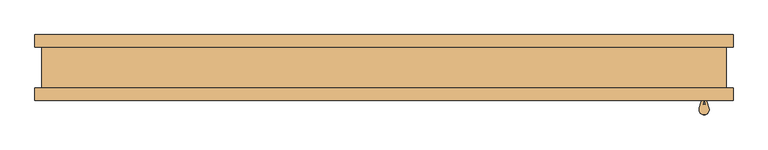
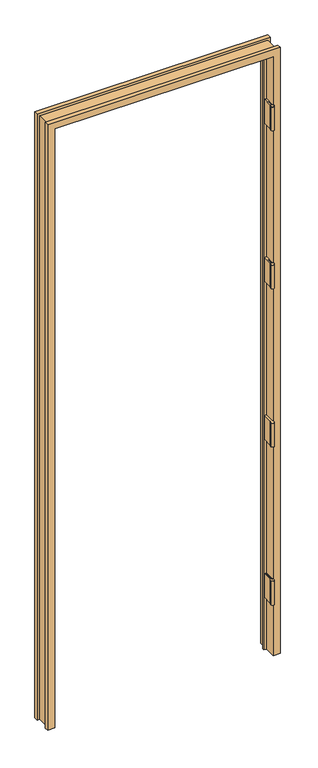
"""IFC4 building model written with IfcOpenShell, lengths in millimetres: door geometry."""

from ifc_helpers import new_model, si_unit, point, frame, frame_2d, origin, place, context, project, spatial, polyline, circle_curve, trimmed, segment, composite_curve, outline, extrude, faceted_brep, source, transform, mapped, element, save


def door_427588ef(model_context):
    return source(origin(), model_context, "Body", "SolidModel", [
        faceted_brep([(-498.6782, -50.0254003, 0.0), (-531.3172, -50.0254003, 0.0), (-531.3172, -31.4833003, 0.0), (-520.7, -31.4833003, 0.0), (-520.7, 31.4833003, 0.0), (-531.3172, 31.4833003, 0.0), (-531.3172, 50.0254003, 0.0), (-498.6782, 50.0254003, 0.0), (-498.6782, 10.8710997, 0.0), (-485.7242, 10.8710997, 0.0), (-485.7242, 2.5906997, 0.0), (-498.6782, 2.5906997, 0.0), (498.6782, -50.0254003, 0.0), (498.6782, 2.5906997, 0.0), (485.7242, 2.5906997, 0.0), (485.7242, 10.8710997, 0.0), (498.6782, 10.8710997, 0.0), (498.6782, 50.0254003, 0.0), (531.3172, 50.0254003, 0.0), (531.3172, 31.4833003, 0.0), (520.7, 31.4833003, 0.0), (520.7, -31.4833003, 0.0), (531.3172, -31.4833003, 0.0), (531.3172, -50.0254003, 0.0), (-498.6782, 2.5906997, 2891.1475997), (-498.6782, -50.0254003, 2891.1475997), (-485.7242, 2.5906997, 2878.1935997), (485.7242, 2.5906997, 2878.1935997), (498.6782, 2.5906997, 2891.1475997), (-485.7242, 10.8710997, 2878.1935997), (-498.6782, 10.8710997, 2891.1475997), (498.6782, 10.8710997, 2891.1475997), (485.7242, 10.8710997, 2878.1935997), (-498.6782, 50.0254003, 2891.1475997), (-531.3172, 50.0254003, 2923.7865997), (531.3172, 50.0254003, 2923.7865997), (498.6782, 50.0254003, 2891.1475997), (-531.3172, 31.4833003, 2923.7865997), (-520.7, 31.4833003, 2913.1693997), (520.7, 31.4833003, 2913.1693997), (531.3172, 31.4833003, 2923.7865997), (-520.7, -31.4833003, 2913.1693997), (-531.3172, -31.4833003, 2923.7865997), (531.3172, -31.4833003, 2923.7865997), (520.7, -31.4833003, 2913.1693997), (-531.3172, -50.0254003, 2923.7865997), (498.6782, -50.0254003, 2891.1475997), (531.3172, -50.0254003, 2923.7865997)], [[[0, 1, 2, 3, 4, 5, 6, 7, 8, 9, 10, 11]], [[12, 13, 14, 15, 16, 17, 18, 19, 20, 21, 22, 23]], [[11, 24, 25, 0]], [[10, 26, 27, 14, 13, 28, 24, 11]], [[9, 29, 26, 10]], [[8, 30, 31, 16, 15, 32, 29, 9]], [[7, 33, 30, 8]], [[6, 34, 35, 18, 17, 36, 33, 7]], [[5, 37, 34, 6]], [[4, 38, 39, 20, 19, 40, 37, 5]], [[3, 41, 38, 4]], [[2, 42, 43, 22, 21, 44, 41, 3]], [[1, 45, 42, 2]], [[0, 25, 46, 12, 23, 47, 45, 1]], [[24, 28, 46, 25]], [[29, 32, 27, 26]], [[33, 36, 31, 30]], [[37, 40, 35, 34]], [[41, 44, 39, 38]], [[45, 47, 43, 42]], [[28, 13, 12, 46]], [[32, 15, 14, 27]], [[36, 17, 16, 31]], [[40, 19, 18, 35]], [[44, 21, 20, 39]], [[47, 23, 22, 43]]]),
        extrude(outline(composite_curve([segment(polyline([(483.0699, -51.4224003), (483.0699, -10.1474003), (486.4735, -10.1474003), (486.4735, -51.9241411), (485.0107341, -56.7777214)]), True, "CONTINUOUS"), segment(trimmed(circle_curve(frame_2d((487.26725, -64.1224003)), 7.6835), [point((485.0107341, -56.7777214))], [point((489.5237659, -56.7777214))], False, "CARTESIAN"), True, "CONTINUOUS"), segment(polyline([(489.5237659, -56.7777214), (488.061, -51.9241411), (488.061, -10.1474003), (491.4646, -10.1474003), (491.4646, -51.4224003), (494.6239108, -61.9052592)]), True, "CONTINUOUS"), segment(trimmed(circle_curve(frame_2d((487.26725, -64.1224003)), 7.6835), [point((494.6239108, -61.9052592))], [point((479.9105892, -61.9052592))], False, "CARTESIAN"), True, "CONTINUOUS"), segment(polyline([(479.9105892, -61.9052592), (483.0699, -51.4224003)]), True, "CONTINUOUS")], self_intersect=False)), frame((0.0, 0.0, 1025.0214025), z_axis=(0.0, 0.0, 1.0), x_axis=(1.0, 0.0, 0.0)), (0.0, 0.0, 1.0), 114.3),
        extrude(outline(composite_curve([segment(polyline([(483.0699, -51.4224003), (483.0699, -10.1474003), (486.4735, -10.1474003), (486.4735, -51.9241411), (485.0107341, -56.7777214)]), True, "CONTINUOUS"), segment(trimmed(circle_curve(frame_2d((487.26725, -64.1224003)), 7.6835), [point((485.0107341, -56.7777214))], [point((489.5237659, -56.7777214))], False, "CARTESIAN"), True, "CONTINUOUS"), segment(polyline([(489.5237659, -56.7777214), (488.061, -51.9241411), (488.061, -10.1474003), (491.4646, -10.1474003), (491.4646, -51.4224003), (494.6239108, -61.9052592)]), True, "CONTINUOUS"), segment(trimmed(circle_curve(frame_2d((487.26725, -64.1224003)), 7.6835), [point((494.6239108, -61.9052592))], [point((479.9105892, -61.9052592))], False, "CARTESIAN"), True, "CONTINUOUS"), segment(polyline([(479.9105892, -61.9052592), (483.0699, -51.4224003)]), True, "CONTINUOUS")], self_intersect=False)), frame((0.0, 0.0, 1788.0502763), z_axis=(0.0, 0.0, 1.0), x_axis=(1.0, 0.0, 0.0)), (0.0, 0.0, 1.0), 114.3),
        extrude(outline(composite_curve([segment(polyline([(483.0699, -51.4224003), (483.0699, -10.1474003), (486.4735, -10.1474003), (486.4735, -51.9241411), (485.0107341, -56.7777214)]), True, "CONTINUOUS"), segment(trimmed(circle_curve(frame_2d((487.26725, -64.1224003)), 7.6835), [point((485.0107341, -56.7777214))], [point((489.5237659, -56.7777214))], False, "CARTESIAN"), True, "CONTINUOUS"), segment(polyline([(489.5237659, -56.7777214), (488.061, -51.9241411), (488.061, -10.1474003), (491.4646, -10.1474003), (491.4646, -51.4224003), (494.6239108, -61.9052592)]), True, "CONTINUOUS"), segment(trimmed(circle_curve(frame_2d((487.26725, -64.1224003)), 7.6835), [point((494.6239108, -61.9052592))], [point((479.9105892, -61.9052592))], False, "CARTESIAN"), True, "CONTINUOUS"), segment(polyline([(479.9105892, -61.9052592), (483.0699, -51.4224003)]), True, "CONTINUOUS")], self_intersect=False)), frame((0.0, 0.0, 261.90585), z_axis=(0.0, 0.0, 1.0), x_axis=(1.0, 0.0, 0.0)), (0.0, 0.0, 1.0), 114.3),
        extrude(outline(composite_curve([segment(polyline([(483.0699, -51.4224003), (483.0699, -10.1474003), (486.4735, -10.1474003), (486.4735, -51.9241411), (485.0107341, -56.7777214)]), True, "CONTINUOUS"), segment(trimmed(circle_curve(frame_2d((487.26725, -64.1224003)), 7.6835), [point((485.0107341, -56.7777214))], [point((489.5237659, -56.7777214))], False, "CARTESIAN"), True, "CONTINUOUS"), segment(polyline([(489.5237659, -56.7777214), (488.061, -51.9241411), (488.061, -10.1474003), (491.4646, -10.1474003), (491.4646, -51.4224003), (494.6239108, -61.9052592)]), True, "CONTINUOUS"), segment(trimmed(circle_curve(frame_2d((487.26725, -64.1224003)), 7.6835), [point((494.6239108, -61.9052592))], [point((479.9105892, -61.9052592))], False, "CARTESIAN"), True, "CONTINUOUS"), segment(polyline([(479.9105892, -61.9052592), (483.0699, -51.4224003)]), True, "CONTINUOUS")], self_intersect=False)), frame((0.0, 0.0, 2551.1506), z_axis=(0.0, 0.0, 1.0), x_axis=(1.0, 0.0, 0.0)), (0.0, 0.0, 1.0), 114.3),
    ])


if __name__ == "__main__":
    model = new_model("IFC4")
    model_context = context("Model", 3, world=origin())
    ifc_project = project(units=[si_unit("LENGTHUNIT", "METRE", prefix="MILLI")], contexts=[model_context])
    site = spatial("IfcSite", under=ifc_project)
    building = spatial("IfcBuilding", under=site)
    placement = place(None, origin())
    door_shape = door_427588ef(model_context)
    element("IfcDoor", 1, at=placement, inside=building, context=model_context, shape_type="MappedRepresentation", body=[
        mapped(door_shape, transform((0.0, 0.0, 0.0), x_axis=(1.0, 0.0, 0.0), y_axis=(0.0, 1.0, 0.0), z_axis=(0.0, 0.0, 1.0))),
    ])
    save(model, "model.ifc")
